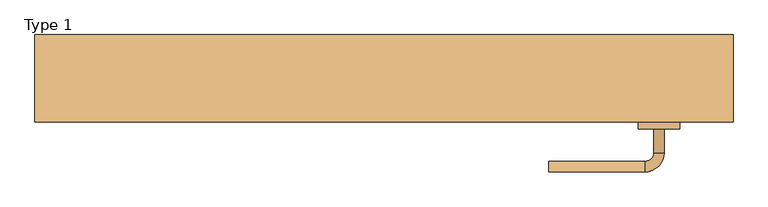
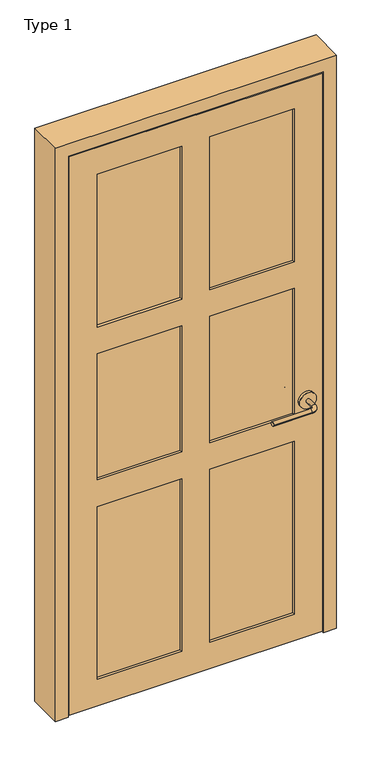
"""IFC4 building model written with IfcOpenShell, lengths in millimetres: door geometry, Type 1."""

from ifc_helpers import new_model, si_unit, point, frame, frame_2d, origin, place, context, project, spatial, circle_curve, ellipse_curve, trimmed, segment, composite_curve, outline, extrude, faceted_brep, source, transform, mapped, element, save
from ifc_brep_helpers import plane_surface, cylinder_surface, revolved_surface, advanced_brep


def type_1_73933eae(model_context):
    return source(origin(), model_context, "Body", "SolidModel", [
        advanced_brep(
        [(509.0006555, -20.8295325, 914.4), (494.0006555, -20.8295325, 914.4), (509.0006555, 14.1704675, 914.4), (494.0006555, 14.1704675, 914.4), (481.5006555, 26.6704675, 914.4), (481.5006555, 41.6704675, 914.4), (341.5006555, 41.6704675, 914.4), (341.5006555, 26.6704675, 914.4)],
        [
            (0, 1, circle_curve(frame((501.5006555, -20.8295325, 914.4), z_axis=(0.0, -1.0, 0.0), x_axis=(-1.0, 0.0, 0.0)), 7.5)),
            (1, 0, circle_curve(frame((501.5006555, -20.8295325, 914.4), z_axis=(0.0, -1.0, 0.0), x_axis=(-1.0, 0.0, 0.0)), 7.5)),
            (0, 2),
            (2, 3, circle_curve(frame((501.5006555, 14.1704675, 914.4), z_axis=(0.0, -1.0, 0.0), x_axis=(-1.0, 0.0, 0.0)), 7.5)),
            (3, 1),
            (3, 2, circle_curve(frame((501.5006555, 14.1704675, 914.4), z_axis=(0.0, -1.0, 0.0), x_axis=(-1.0, 0.0, 0.0)), 7.5)),
            (4, 3, circle_curve(frame((481.5006555, 14.1704675, 914.4), z_axis=(0.0, 0.0, -1.0), x_axis=(1.0, 0.0, 0.0)), 12.5)),
            (2, 5, circle_curve(frame((481.5006555, 14.1704675, 914.4), z_axis=(0.0, 0.0, 1.0), x_axis=(1.0, 0.0, 0.0)), 27.5)),
            (5, 4, circle_curve(frame((481.5006555, 34.1704675, 914.4), z_axis=(1.0, 0.0, 0.0), x_axis=(0.0, -1.0, 0.0)), 7.5)),
            (4, 5, circle_curve(frame((481.5006555, 34.1704675, 914.4), z_axis=(1.0, 0.0, 0.0), x_axis=(0.0, -1.0, 0.0)), 7.5)),
            (6, 7, circle_curve(frame((341.5006555, 34.1704675, 914.4), z_axis=(-1.0, 0.0, 0.0), x_axis=(0.0, -1.0, 0.0)), 7.5)),
            (7, 6, circle_curve(frame((341.5006555, 34.1704675, 914.4), z_axis=(-1.0, 0.0, 0.0), x_axis=(0.0, -1.0, 0.0)), 7.5)),
            (5, 6),
            (7, 4),
        ],
        [
            plane_surface(frame((501.5006555, -20.8295325, 914.4), z_axis=(0.0, -1.0, 0.0), x_axis=(0.0, 0.0, 1.0))),
            cylinder_surface(frame((501.5006555, -20.8295325, 914.4), z_axis=(0.0, -1.0, 0.0), x_axis=(-1.0, 0.0, 0.0)), 7.5),
            revolved_surface(trimmed(ellipse_curve(frame((501.5006555, 14.1704675, 914.4), z_axis=(0.0, -1.0, 0.0), x_axis=(-1.0, 0.0, 0.0)), 7.5, 7.5), [point((509.0006555, 14.1704675, 914.4))], [point((494.0006555, 14.1704675, 914.4))], True, "CARTESIAN"), (481.5006555, 14.1704675, 914.4), (0.0, 0.0, 1.0)),
            revolved_surface(trimmed(ellipse_curve(frame((501.5006555, 14.1704675, 914.4), z_axis=(0.0, -1.0, 0.0), x_axis=(-1.0, 0.0, 0.0)), 7.5, 7.5), [point((494.0006555, 14.1704675, 914.4))], [point((509.0006555, 14.1704675, 914.4))], True, "CARTESIAN"), (481.5006555, 14.1704675, 914.4), (0.0, 0.0, 1.0)),
            plane_surface(frame((341.5006555, 34.1704675, 914.4), z_axis=(-1.0, 0.0, 0.0), x_axis=(0.0, 0.0, 1.0))),
            cylinder_surface(frame((481.5006555, 34.1704675, 914.4), z_axis=(1.0, 0.0, 0.0), x_axis=(0.0, -1.0, 0.0)), 7.5),
        ],
        [
            (0, [[1, 2]]),
            (1, [[-1, 3, 4, 5]]),
            (1, [[-2, -5, 6, -3]]),
            (2, [[7, -4, 8, 9]]),
            (3, [[-8, -6, -7, 10]]),
            (4, [[11, 12]]),
            (5, [[-9, 13, -12, 14]]),
            (5, [[-10, -14, -11, -13]]),
        ],
    ),
        extrude(outline(composite_curve([segment(trimmed(circle_curve(frame_2d((914.4, 501.5006555)), 30.0), [point((914.4, 531.5006555))], [point((914.4, 471.5006555))], False, "CARTESIAN"), True, "CONTINUOUS"), segment(trimmed(circle_curve(frame_2d((914.4, 501.5006555)), 30.0), [point((914.4, 471.5006555))], [point((914.4, 531.5006555))], False, "CARTESIAN"), True, "CONTINUOUS")], self_intersect=False)), frame((0.0, -30.8295325, 0.0), z_axis=(0.0, 1.0, 0.0), x_axis=(0.0, 0.0, 1.0)), (0.0, 0.0, 1.0), 10.0),
        advanced_brep(
        [(509.0006555, -75.7545325, 914.4), (494.0006555, -75.7545325, 914.4), (494.0006555, -110.7545325, 914.4), (509.0006555, -110.7545325, 914.4), (481.5006555, -123.2545325, 914.4), (481.5006555, -138.2545325, 914.4), (341.5006555, -138.2545325, 914.4), (341.5006555, -123.2545325, 914.4)],
        [
            (0, 1, circle_curve(frame((501.5006555, -75.7545325, 914.4), z_axis=(0.0, 1.0, 0.0), x_axis=(-1.0, 0.0, 0.0)), 7.5)),
            (1, 0, circle_curve(frame((501.5006555, -75.7545325, 914.4), z_axis=(0.0, 1.0, 0.0), x_axis=(-1.0, 0.0, 0.0)), 7.5)),
            (1, 2),
            (2, 3, circle_curve(frame((501.5006555, -110.7545325, 914.4), z_axis=(0.0, 1.0, 0.0), x_axis=(-1.0, 0.0, 0.0)), 7.5)),
            (3, 0),
            (3, 2, circle_curve(frame((501.5006555, -110.7545325, 914.4), z_axis=(0.0, 1.0, 0.0), x_axis=(-1.0, 0.0, 0.0)), 7.5)),
            (4, 5, circle_curve(frame((481.5006555, -130.7545325, 914.4), z_axis=(1.0, 0.0, 0.0), x_axis=(0.0, 1.0, 0.0)), 7.5)),
            (5, 3, circle_curve(frame((481.5006555, -110.7545325, 914.4), z_axis=(0.0, 0.0, 1.0), x_axis=(1.0, 0.0, 0.0)), 27.5)),
            (2, 4, circle_curve(frame((481.5006555, -110.7545325, 914.4), z_axis=(0.0, 0.0, -1.0), x_axis=(1.0, 0.0, 0.0)), 12.5)),
            (5, 4, circle_curve(frame((481.5006555, -130.7545325, 914.4), z_axis=(1.0, 0.0, 0.0), x_axis=(0.0, 1.0, 0.0)), 7.5)),
            (6, 7, circle_curve(frame((341.5006555, -130.7545325, 914.4), z_axis=(-1.0, 0.0, 0.0), x_axis=(0.0, 1.0, 0.0)), 7.5)),
            (7, 6, circle_curve(frame((341.5006555, -130.7545325, 914.4), z_axis=(-1.0, 0.0, 0.0), x_axis=(0.0, 1.0, 0.0)), 7.5)),
            (4, 7),
            (6, 5),
        ],
        [
            plane_surface(frame((501.5006555, -75.7545325, 914.4), z_axis=(0.0, 1.0, 0.0), x_axis=(0.0, 0.0, 1.0))),
            cylinder_surface(frame((501.5006555, -75.7545325, 914.4), z_axis=(0.0, 1.0, 0.0), x_axis=(-1.0, 0.0, 0.0)), 7.5),
            revolved_surface(trimmed(ellipse_curve(frame((501.5006555, -110.7545325, 914.4), z_axis=(0.0, -1.0, 0.0), x_axis=(-1.0, 0.0, 0.0)), 7.5, 7.5), [point((509.0006555, -110.7545325, 914.4))], [point((494.0006555, -110.7545325, 914.4))], True, "CARTESIAN"), (481.5006555, -110.7545325, 914.4), (0.0, 0.0, 1.0)),
            revolved_surface(trimmed(ellipse_curve(frame((501.5006555, -110.7545325, 914.4), z_axis=(0.0, -1.0, 0.0), x_axis=(-1.0, 0.0, 0.0)), 7.5, 7.5), [point((494.0006555, -110.7545325, 914.4))], [point((509.0006555, -110.7545325, 914.4))], True, "CARTESIAN"), (481.5006555, -110.7545325, 914.4), (0.0, 0.0, 1.0)),
            plane_surface(frame((341.5006555, -130.7545325, 914.4), z_axis=(-1.0, 0.0, 0.0), x_axis=(0.0, 0.0, 1.0))),
            cylinder_surface(frame((481.5006555, -130.7545325, 914.4), z_axis=(1.0, 0.0, 0.0), x_axis=(0.0, 1.0, 0.0)), 7.5),
        ],
        [
            (0, [[1, 2]]),
            (1, [[3, 4, 5, -2]]),
            (1, [[-5, 6, -3, -1]]),
            (2, [[7, 8, -4, 9]]),
            (3, [[10, -9, -6, -8]]),
            (4, [[11, 12]]),
            (5, [[13, -11, 14, -7]]),
            (5, [[-14, -12, -13, -10]]),
        ],
    ),
        extrude(outline(composite_curve([segment(trimmed(circle_curve(frame_2d((914.4, 501.5006555)), 30.0), [point((914.4, 531.5006555))], [point((914.4, 471.5006555))], False, "CARTESIAN"), True, "CONTINUOUS"), segment(trimmed(circle_curve(frame_2d((914.4, 501.5006555)), 30.0), [point((914.4, 471.5006555))], [point((914.4, 531.5006555))], False, "CARTESIAN"), True, "CONTINUOUS")], self_intersect=False)), frame((0.0, -75.7545325, 0.0), z_axis=(0.0, 1.0, 0.0), x_axis=(0.0, 0.0, 1.0)), (0.0, 0.0, 1.0), 10.0),
        faceted_brep([(-355.7493445, -65.7545325, 6.35), (558.6506555, -65.7545325, 6.35), (558.6506555, -65.7545325, 2139.95), (-355.7493445, -65.7545325, 2139.95), (-254.1493445, -65.7545325, 768.35), (50.6506555, -65.7545325, 768.35), (50.6506555, -65.7545325, 107.95), (-254.1493445, -65.7545325, 107.95), (152.2506555, -65.7545325, 768.35), (457.0506555, -65.7545325, 768.35), (457.0506555, -65.7545325, 107.95), (152.2506555, -65.7545325, 107.95), (152.2506555, -65.7545325, 1352.55), (457.0506555, -65.7545325, 1352.55), (457.0506555, -65.7545325, 869.95), (152.2506555, -65.7545325, 869.95), (-254.1493445, -65.7545325, 1352.55), (50.6506555, -65.7545325, 1352.55), (50.6506555, -65.7545325, 869.95), (-254.1493445, -65.7545325, 869.95), (152.2506555, -65.7545325, 2038.35), (457.0506555, -65.7545325, 2038.35), (457.0506555, -65.7545325, 1454.15), (152.2506555, -65.7545325, 1454.15), (-254.1493445, -65.7545325, 2038.35), (50.6506555, -65.7545325, 2038.35), (50.6506555, -65.7545325, 1454.15), (-254.1493445, -65.7545325, 1454.15), (-355.7493445, -30.8295325, 6.35), (-355.7493445, -30.8295325, 2139.95), (558.6506555, -30.8295325, 2139.95), (558.6506555, -30.8295325, 6.35), (152.2506555, -30.8295325, 869.95), (457.0506555, -30.8295325, 869.95), (457.0506555, -30.8295325, 1352.55), (152.2506555, -30.8295325, 1352.55), (-254.1493445, -30.8295325, 869.95), (50.6506555, -30.8295325, 869.95), (50.6506555, -30.8295325, 1352.55), (-254.1493445, -30.8295325, 1352.55), (-254.1493445, -30.8295325, 107.95), (50.6506555, -30.8295325, 107.95), (50.6506555, -30.8295325, 768.35), (-254.1493445, -30.8295325, 768.35), (152.2506555, -30.8295325, 107.95), (457.0506555, -30.8295325, 107.95), (457.0506555, -30.8295325, 768.35), (152.2506555, -30.8295325, 768.35), (152.2506555, -30.8295325, 1454.15), (457.0506555, -30.8295325, 1454.15), (457.0506555, -30.8295325, 2038.35), (152.2506555, -30.8295325, 2038.35), (-254.1493445, -30.8295325, 1454.15), (50.6506555, -30.8295325, 1454.15), (50.6506555, -30.8295325, 2038.35), (-254.1493445, -30.8295325, 2038.35), (152.2506555, -55.7545325, 1352.55), (152.2506555, -55.7545325, 869.95), (457.0506555, -55.7545325, 869.95), (457.0506555, -55.7545325, 1352.55), (-254.1493445, -55.7545325, 1352.55), (-254.1493445, -55.7545325, 869.95), (50.6506555, -55.7545325, 869.95), (50.6506555, -55.7545325, 1352.55), (-254.1493445, -55.7545325, 768.35), (-254.1493445, -55.7545325, 107.95), (50.6506555, -55.7545325, 107.95), (50.6506555, -55.7545325, 768.35), (152.2506555, -55.7545325, 768.35), (152.2506555, -55.7545325, 107.95), (457.0506555, -55.7545325, 107.95), (457.0506555, -55.7545325, 768.35), (152.2506555, -40.8295325, 869.95), (152.2506555, -40.8295325, 1352.55), (457.0506555, -40.8295325, 1352.55), (457.0506555, -40.8295325, 869.95), (-254.1493445, -40.8295325, 869.95), (-254.1493445, -40.8295325, 1352.55), (50.6506555, -40.8295325, 1352.55), (50.6506555, -40.8295325, 869.95), (-254.1493445, -40.8295325, 107.95), (-254.1493445, -40.8295325, 768.35), (50.6506555, -40.8295325, 768.35), (50.6506555, -40.8295325, 107.95), (152.2506555, -40.8295325, 107.95), (152.2506555, -40.8295325, 768.35), (457.0506555, -40.8295325, 768.35), (457.0506555, -40.8295325, 107.95), (152.2506555, -55.7545325, 2038.35), (152.2506555, -55.7545325, 1454.15), (457.0506555, -55.7545325, 1454.15), (457.0506555, -55.7545325, 2038.35), (-254.1493445, -55.7545325, 2038.35), (-254.1493445, -55.7545325, 1454.15), (50.6506555, -55.7545325, 1454.15), (50.6506555, -55.7545325, 2038.35), (152.2506555, -40.8295325, 2038.35), (457.0506555, -40.8295325, 2038.35), (457.0506555, -40.8295325, 1454.15), (152.2506555, -40.8295325, 1454.15), (-254.1493445, -40.8295325, 2038.35), (50.6506555, -40.8295325, 2038.35), (50.6506555, -40.8295325, 1454.15), (-254.1493445, -40.8295325, 1454.15)], [[[0, 1, 2, 3], [4, 5, 6, 7], [8, 9, 10, 11], [12, 13, 14, 15], [16, 17, 18, 19], [20, 21, 22, 23], [24, 25, 26, 27]], [[28, 29, 30, 31], [32, 33, 34, 35], [36, 37, 38, 39], [40, 41, 42, 43], [44, 45, 46, 47], [48, 49, 50, 51], [52, 53, 54, 55]], [[3, 29, 28, 0]], [[2, 30, 29, 3]], [[1, 31, 30, 2]], [[0, 28, 31, 1]], [[56, 12, 15, 57]], [[57, 15, 14, 58]], [[58, 14, 13, 59]], [[60, 16, 19, 61]], [[61, 19, 18, 62]], [[62, 18, 17, 63]], [[64, 4, 7, 65]], [[65, 7, 6, 66]], [[66, 6, 5, 67]], [[67, 5, 4, 64]], [[68, 8, 11, 69]], [[69, 11, 10, 70]], [[70, 10, 9, 71]], [[71, 9, 8, 68]], [[72, 32, 35, 73]], [[74, 34, 33, 75]], [[75, 33, 32, 72]], [[76, 36, 39, 77]], [[78, 38, 37, 79]], [[79, 37, 36, 76]], [[80, 40, 43, 81]], [[81, 43, 42, 82]], [[82, 42, 41, 83]], [[83, 41, 40, 80]], [[84, 44, 47, 85]], [[85, 47, 46, 86]], [[86, 46, 45, 87]], [[87, 45, 44, 84]], [[56, 57, 58, 59]], [[60, 61, 62, 63]], [[64, 65, 66, 67]], [[68, 69, 70, 71]], [[73, 74, 75, 72]], [[77, 78, 79, 76]], [[81, 82, 83, 80]], [[85, 86, 87, 84]], [[59, 13, 12, 56]], [[63, 17, 16, 60]], [[73, 35, 34, 74]], [[77, 39, 38, 78]], [[88, 89, 90, 91]], [[88, 20, 23, 89]], [[89, 23, 22, 90]], [[90, 22, 21, 91]], [[91, 21, 20, 88]], [[92, 93, 94, 95]], [[92, 24, 27, 93]], [[93, 27, 26, 94]], [[94, 26, 25, 95]], [[95, 25, 24, 92]], [[96, 97, 98, 99]], [[99, 48, 51, 96]], [[98, 49, 48, 99]], [[97, 50, 49, 98]], [[96, 51, 50, 97]], [[100, 101, 102, 103]], [[103, 52, 55, 100]], [[102, 53, 52, 103]], [[101, 54, 53, 102]], [[100, 55, 54, 101]]]),
        faceted_brep([(-406.5493445, -65.7545325, 0.0), (-406.5493445, 61.2454675, 0.0), (-358.9243445, 61.2454675, 0.0), (-358.9243445, 23.1454675, 0.0), (-346.2243445, 23.1454675, 0.0), (-346.2243445, -27.6545325, 0.0), (-358.9243445, -27.6545325, 0.0), (-358.9243445, -65.7545325, 0.0), (-358.9243445, -27.6545325, 2143.125), (-358.9243445, -65.7545325, 2143.125), (-346.2243445, 23.1454675, 2130.425), (-346.2243445, -27.6545325, 2130.425), (-358.9243445, 61.2454675, 2143.125), (-358.9243445, 23.1454675, 2143.125), (609.4506555, -65.7545325, 2190.75), (609.4506555, -65.7545325, 0.0), (609.4506555, 61.2454675, 0.0), (609.4506555, 61.2454675, 2190.75), (561.8256555, 61.2454675, 0.0), (561.8256555, 61.2454675, 2143.125), (-406.5493445, 61.2454675, 2190.75), (561.8256555, -65.7545325, 0.0), (561.8256555, -27.6545325, 0.0), (549.1256555, -27.6545325, 0.0), (549.1256555, 23.1454675, 0.0), (561.8256555, 23.1454675, 0.0), (-406.5493445, -65.7545325, 2190.75), (561.8256555, -65.7545325, 2143.125), (561.8256555, 23.1454675, 2143.125), (549.1256555, 23.1454675, 2130.425), (549.1256555, -27.6545325, 2130.425), (561.8256555, -27.6545325, 2143.125)], [[[0, 1, 2, 3, 4, 5, 6, 7]], [[6, 8, 9, 7]], [[4, 10, 11, 5]], [[2, 12, 13, 3]], [[14, 15, 16, 17]], [[17, 16, 18, 19, 12, 2, 1, 20]], [[15, 21, 22, 23, 24, 25, 18, 16]], [[26, 0, 7, 9, 27, 21, 15, 14]], [[20, 1, 0, 26]], [[25, 28, 19, 18]], [[3, 13, 28, 25, 24, 29, 10, 4]], [[23, 30, 29, 24]], [[5, 11, 30, 23, 22, 31, 8, 6]], [[21, 27, 31, 22]], [[17, 20, 26, 14]], [[12, 19, 28, 13]], [[10, 29, 30, 11]], [[8, 31, 27, 9]]]),
    ])


if __name__ == "__main__":
    model = new_model("IFC4")
    model_context = context("Model", 3, world=origin())
    ifc_project = project(units=[si_unit("LENGTHUNIT", "METRE", prefix="MILLI")], contexts=[model_context])
    site = spatial("IfcSite", under=ifc_project)
    building = spatial("IfcBuilding", under=site)
    placement = place(None, origin())
    type_1_shape = type_1_73933eae(model_context)
    element("IfcDoor", 1, ObjectType="Type 1", at=placement, inside=building, context=model_context, shape_type="MappedRepresentation", body=[
        mapped(type_1_shape, transform((0.0, 0.0, 0.0), x_axis=(1.0, 0.0, 0.0), y_axis=(0.0, 1.0, 0.0), z_axis=(0.0, 0.0, 1.0))),
    ])
    save(model, "model.ifc")
